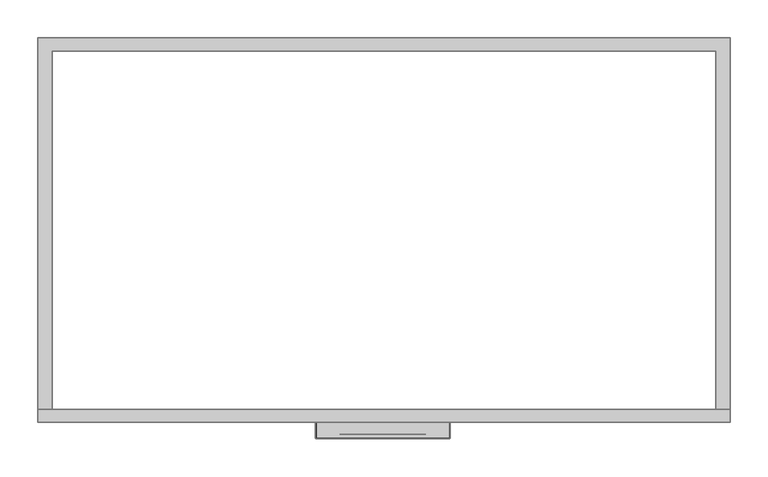
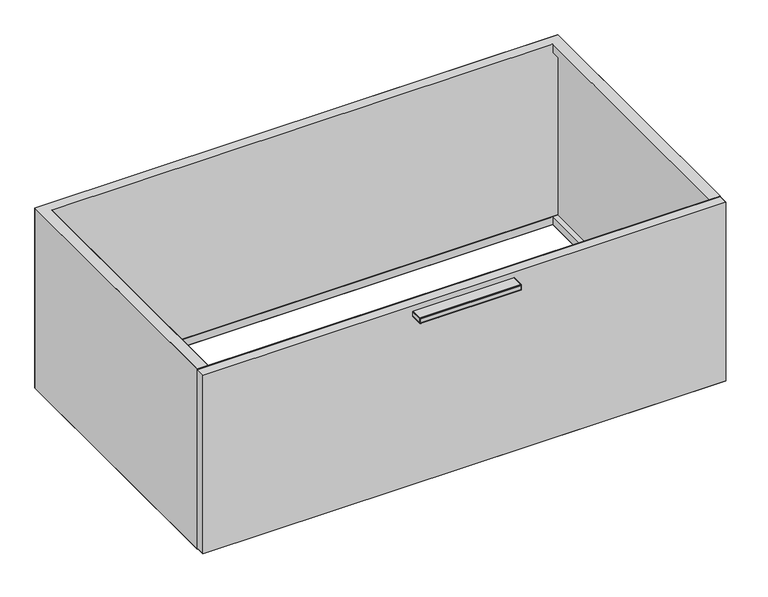
"""IFC4 building model written with IfcOpenShell, lengths in millimetres: furniture geometry."""

from ifc_helpers import new_model, si_unit, origin, place, context, project, spatial, triangles, source, transform, mapped, element, save


def furniture_d5ba1708(model_context):
    return source(origin(), model_context, "Body", "Tessellation", [
        triangles([(914.4, -507.9999879, 331.7874879), (0.0, -507.9999879, 331.7874879), (0.0, -507.9999879, 1.5875), (914.4, -507.9999879, 1.5875), (0.0, -491.3375965, 1.5875), (914.4, -491.3375965, 1.5875), (914.4, -491.3375965, 331.7874879), (0.0, -491.3375965, 331.7874879)], [[1, 2, 3], [1, 3, 4], [5, 3, 4], [5, 4, 6], [7, 1, 4], [7, 4, 6], [8, 2, 3], [8, 3, 5], [1, 2, 8], [1, 8, 7]], closed=False),
        triangles([(1.5875, -491.3375965, 331.7874879), (1.5875, -491.3375965, 1.5875), (0.0, -491.3375965, 0.0), (0.0, -491.3375965, 333.375), (912.8125242, -491.3375965, 1.5875), (914.4, -491.3375965, 0.0), (912.8125242, -491.3375965, 331.7874879), (914.4, -491.3375965, 333.375), (0.0, 0.0, 333.375), (19.05, -17.907, 333.375), (895.3455671, -17.907, 333.375), (914.4, 0.0, 333.375), (895.35, -491.3350531, 333.375), (895.35, -17.907, 319.0747828), (19.05, -17.907, 319.0747828), (895.35, -491.3350531, 319.0747828), (19.05, -491.3350531, 319.0747828), (19.0502748, -491.3350167, 333.375), (0.0, 0.0, 0.79375), (914.4, 0.0, 0.79375), (914.4, 0.0, 332.5812621), (0.0, 0.0, 332.5812621), (914.4, -491.3375965, 332.5812621), (914.4, -491.3375965, 0.79375), (0.0, -491.3375965, 332.5812621), (0.0, -491.3375965, 0.79375), (914.4, 0.0, 0.0), (895.35, -17.907, 0.0), (19.0544329, -17.907, 0.0), (0.0, 0.0, 0.0), (19.05, -491.3350531, 0.0), (19.05, -17.907, 14.3002002), (895.35, -17.907, 14.3002002), (19.05, -491.3350531, 14.3002002), (895.35, -491.3350531, 14.3002002), (895.3497093, -491.3350167, 0.0)], [[1, 2, 3], [1, 3, 4], [2, 5, 6], [2, 6, 3], [5, 7, 8], [5, 8, 6], [7, 1, 4], [7, 4, 8], [9, 10, 11], [9, 11, 12], [11, 13, 8], [11, 8, 12], [11, 14, 15], [11, 15, 10], [13, 16, 14], [13, 14, 11], [10, 15, 17], [10, 17, 18], [9, 4, 18], [9, 18, 10], [19, 20, 21], [19, 21, 22], [23, 24, 20], [23, 20, 21], [25, 26, 19], [25, 19, 22], [27, 28, 29], [27, 29, 30], [29, 31, 3], [29, 3, 30], [29, 32, 33], [29, 33, 28], [31, 34, 32], [31, 32, 29], [28, 33, 35], [28, 35, 36], [27, 6, 36], [27, 36, 28]], closed=False),
        triangles([(0.0, 0.0, 0.0), (0.0, 0.0, 0.79375), (0.0, -491.3375965, 0.79375), (0.0, -491.3375965, 0.0), (0.0, -491.3375965, 333.375), (0.0, -491.3375965, 332.5812621), (0.0, 0.0, 332.5812621), (0.0, 0.0, 333.375), (914.4, 0.0, 0.0), (914.4, 0.0, 0.79375), (914.4, -491.3375965, 0.79375), (914.4, -491.3375965, 0.0), (914.4, -491.3375965, 333.375), (914.4, -491.3375965, 332.5812621), (914.4, 0.0, 332.5812621), (914.4, 0.0, 333.375)], [[1, 2, 3], [1, 3, 4], [5, 6, 7], [5, 7, 8], [9, 10, 11], [9, 11, 12], [13, 14, 15], [13, 15, 16], [8, 7, 15], [8, 15, 16], [2, 1, 9], [2, 9, 10]], closed=False),
        triangles([(398.6925247, -524.1035834, 313.3203012), (399.3255529, -524.1035834, 315.2517966), (400.4919062, -524.1035834, 316.7134443), (400.1544268, -524.1035834, 313.3203012), (402.3202466, -524.1035834, 317.8105794), (401.811375, -524.1035834, 313.3203012), (404.228306, -524.1035834, 318.1463147), (403.7172544, -524.1035834, 313.3203012), (510.5630945, -524.1035834, 313.3203012), (510.7331059, -524.1035834, 316.7134443), (511.8994592, -524.1035834, 315.2517966), (512.5324874, -524.1035834, 313.3203012), (508.6552531, -524.1035834, 313.3203012), (508.9047655, -524.1035834, 317.8105794), (506.7746993, -524.1035834, 313.3203012), (506.9967061, -524.1035834, 318.1463147), (397.157226, -508.1016169, 312.55832), (397.157226, -529.5645873, 312.55832), (367.4745174, -529.5645873, 312.55832), (367.4745174, -508.1016169, 312.55832), (397.5833991, -524.3984056, 312.5604275), (397.5831084, -529.5645873, 312.55832), (397.157226, -523.3416023, 312.55832), (398.6924884, -524.8656009, 312.5658777), (398.691144, -529.5645873, 312.55832), (512.5324874, -524.8655645, 312.55832), (512.4999312, -529.5645873, 312.55832), (513.6415767, -524.3984056, 312.55832), (513.641504, -529.5645873, 312.55832), (514.0677498, -523.3416023, 312.55832), (514.0676771, -529.5645873, 312.55832), (543.7504947, -508.1016169, 312.55832), (543.7504947, -529.5645873, 312.55832), (514.0677498, -508.1016169, 312.55832), (366.9356695, -508.1016169, 321.8601142), (366.9356695, -508.1016169, 312.7814896), (366.7125, -508.1016169, 313.3203012), (366.7125, -508.1016169, 321.3213026), (367.4745174, -508.1016169, 322.08332), (397.1900365, -508.1016169, 322.08332), (397.6663882, -508.1016169, 312.7533663), (397.8253175, -508.1016169, 322.08332), (397.9148469, -508.1016169, 313.2386564), (398.4184862, -508.1016169, 322.08332), (398.6047757, -508.1016169, 315.5076313), (399.9054594, -508.1016169, 322.08332), (399.9855417, -508.1016169, 317.28285), (402.0890471, -508.1016169, 322.08332), (402.0532207, -508.1016169, 318.5241623), (404.2333929, -508.1016169, 322.08332), (404.228306, -508.1016169, 318.9082958), (543.7504947, -508.1016169, 322.08332), (514.0349756, -508.1016169, 322.08332), (544.2893063, -508.1016169, 321.8601142), (544.2893063, -508.1016169, 312.7814896), (544.5125121, -508.1016169, 321.3213026), (544.5125121, -508.1016169, 313.3203012), (513.5586239, -508.1016169, 312.7533663), (513.3101652, -508.1016169, 313.2386564), (513.3996583, -508.1016169, 322.08332), (512.6202001, -508.1016169, 315.5076313), (512.8065259, -508.1016169, 322.08332), (511.2394704, -508.1016169, 317.28285), (511.3195164, -508.1016169, 322.08332), (509.171755, -508.1016169, 318.5241623), (509.1359651, -508.1016169, 322.08332), (506.9967061, -508.1016169, 318.9082958), (506.9356997, -508.1016169, 322.08332), (367.1197062, -529.9311347, 312.7814896), (366.9639381, -530.0909723, 313.3203012), (366.7125, -529.5645873, 313.3203012), (366.9356695, -529.5645873, 312.7814896), (367.4745174, -530.1033989, 312.7814896), (367.4745174, -530.3266047, 313.3203012), (367.091583, -529.9437066, 321.8601142), (366.9356695, -530.1033989, 321.3213026), (367.4745174, -530.3266047, 321.3213026), (367.4745174, -530.1033989, 321.8601142), (366.9356695, -529.5645873, 321.8601142), (366.7125, -529.5645873, 321.3213026), (367.4745174, -529.5645873, 322.08332), (544.1316851, -529.9454144, 321.8601142), (544.2893063, -530.1033989, 321.3213026), (544.5125121, -529.5645873, 321.3213026), (544.2893063, -529.5645873, 321.8601142), (543.7504947, -530.1033989, 321.8601142), (543.7504947, -530.3266047, 321.3213026), (543.7504947, -529.5645873, 322.08332), (544.1315397, -530.1033989, 312.9393288), (544.2893426, -529.5645873, 312.7815259), (544.5125121, -529.5645873, 313.3203012), (544.2893063, -530.1033989, 313.3203012), (543.7504947, -530.1033989, 312.7814896), (543.7504947, -530.3266047, 313.3203012), (398.691362, -524.3267893, 312.7890836), (512.5324874, -524.3267893, 312.7814896), (397.6663882, -523.3416023, 312.7533663), (397.9505279, -523.9959955, 312.7330187), (397.9148469, -523.3416023, 313.2386564), (398.1459738, -523.8846288, 313.259113), (513.2736122, -523.9959955, 312.7290945), (513.5586239, -523.3416023, 312.7533663), (513.0790383, -523.8846288, 313.259113), (513.3101289, -523.3416023, 313.2386564), (404.228306, -523.8804139, 318.6851263), (506.9967061, -523.8804139, 318.6851263), (404.228306, -523.3416023, 318.9082958), (506.9967061, -523.3416023, 318.9082958), (509.1510804, -523.3416023, 318.5316836), (509.0789191, -523.8804139, 318.3204683), (511.091151, -523.8804139, 317.1160724), (511.2394704, -523.3416023, 317.28285), (512.4018994, -523.8804139, 315.4464068), (512.6099899, -523.3416023, 315.5270342), (399.9855417, -523.3416023, 317.28285), (400.1338248, -523.8804139, 317.1160724), (402.146093, -523.8804139, 318.3204683), (402.0739317, -523.3416023, 318.5316836), (398.8231127, -523.8804139, 315.4464068), (398.6149858, -523.3416023, 315.5270342)], [[1, 2, 3], [1, 3, 4], [4, 3, 5], [4, 5, 6], [6, 5, 7], [6, 7, 8], [9, 10, 11], [9, 11, 12], [13, 14, 10], [13, 10, 9], [15, 16, 14], [15, 14, 13], [8, 7, 16], [8, 16, 15], [17, 18, 19], [17, 19, 20], [21, 22, 18], [21, 18, 23], [24, 25, 22], [24, 22, 21], [26, 27, 25], [26, 25, 24], [28, 29, 26], [29, 27, 26], [30, 31, 28], [31, 29, 28], [32, 33, 31], [32, 31, 34], [35, 36, 37], [35, 37, 38], [39, 20, 36], [39, 36, 35], [40, 17, 20], [40, 20, 39], [41, 17, 40], [42, 43, 40], [43, 41, 40], [44, 45, 42], [45, 43, 42], [46, 47, 44], [47, 45, 44], [48, 49, 47], [48, 47, 46], [50, 51, 49], [50, 49, 48], [52, 32, 34], [52, 34, 53], [54, 55, 32], [54, 32, 52], [56, 57, 54], [57, 55, 54], [53, 34, 58], [53, 58, 59], [53, 59, 60], [60, 59, 61], [60, 61, 62], [62, 61, 63], [62, 63, 64], [64, 63, 65], [64, 65, 66], [66, 65, 67], [66, 67, 68], [68, 67, 51], [68, 51, 50], [69, 70, 71], [69, 71, 72], [73, 74, 70], [73, 70, 69], [19, 69, 72], [19, 73, 69], [75, 76, 77], [75, 77, 78], [79, 80, 76], [79, 76, 75], [81, 75, 78], [81, 79, 75], [82, 83, 84], [82, 84, 85], [86, 87, 83], [86, 83, 82], [88, 82, 85], [88, 86, 82], [89, 90, 91], [89, 91, 92], [93, 33, 90], [93, 90, 89], [94, 89, 92], [94, 93, 89], [83, 92, 91], [83, 91, 84], [87, 94, 92], [87, 92, 83], [35, 38, 79], [38, 80, 79], [39, 35, 81], [35, 79, 81], [86, 88, 81], [86, 81, 78], [87, 86, 78], [87, 78, 77], [54, 52, 85], [52, 88, 85], [56, 54, 85], [56, 85, 84], [55, 57, 91], [55, 91, 90], [32, 55, 90], [32, 90, 33], [57, 56, 84], [57, 84, 91], [93, 94, 74], [93, 74, 73], [33, 93, 73], [33, 73, 19], [72, 71, 37], [72, 37, 36], [19, 72, 36], [19, 36, 20], [70, 76, 80], [70, 80, 71], [74, 77, 76], [74, 76, 70], [95, 1, 12], [95, 12, 96], [24, 95, 26], [95, 96, 26], [23, 97, 98], [23, 98, 21], [21, 98, 95], [21, 95, 24], [97, 99, 100], [97, 100, 98], [98, 100, 1], [98, 1, 95], [28, 101, 102], [28, 102, 30], [26, 96, 101], [26, 101, 28], [101, 103, 104], [101, 104, 102], [96, 12, 103], [96, 103, 101], [7, 105, 106], [7, 106, 16], [105, 107, 106], [107, 108, 106], [109, 110, 111], [109, 111, 112], [108, 106, 110], [108, 110, 109], [106, 16, 14], [106, 14, 110], [110, 14, 10], [110, 10, 111], [111, 10, 11], [111, 11, 113], [112, 111, 113], [112, 113, 114], [113, 11, 12], [113, 12, 103], [114, 113, 103], [114, 103, 104], [115, 116, 117], [115, 117, 118], [118, 117, 105], [118, 105, 107], [117, 5, 7], [117, 7, 105], [116, 3, 5], [116, 5, 117], [119, 2, 3], [119, 3, 116], [120, 119, 116], [120, 116, 115], [100, 1, 2], [100, 2, 119], [99, 100, 119], [99, 119, 120], [23, 17, 41], [23, 41, 97], [97, 41, 43], [97, 43, 99], [99, 43, 45], [99, 45, 120], [120, 45, 47], [120, 47, 115], [115, 47, 49], [115, 49, 118], [118, 49, 51], [118, 51, 107], [102, 58, 34], [102, 34, 30], [104, 59, 58], [104, 58, 102], [114, 61, 59], [114, 59, 104], [112, 63, 61], [112, 61, 114], [109, 65, 63], [109, 63, 112], [108, 67, 65], [108, 65, 109], [107, 51, 108], [51, 67, 108], [39, 81, 88], [39, 88, 52], [77, 74, 87], [74, 94, 87], [38, 37, 80], [37, 71, 80]], closed=False),
    ])


if __name__ == "__main__":
    model = new_model("IFC4")
    model_context = context("Model", 3, world=origin())
    ifc_project = project(units=[si_unit("LENGTHUNIT", "METRE", prefix="MILLI")], contexts=[model_context])
    site = spatial("IfcSite", under=ifc_project)
    building = spatial("IfcBuilding", under=site)
    placement = place(None, origin())
    furniture_shape = furniture_d5ba1708(model_context)
    element("IfcFurniture", 1, at=placement, inside=building, context=model_context, shape_type="MappedRepresentation", body=[
        mapped(furniture_shape, transform((0.0, 0.0, 0.0), x_axis=(1.0, 0.0, 0.0), y_axis=(0.0, 1.0, 0.0), z_axis=(0.0, 0.0, 1.0))),
    ])
    save(model, "model.ifc")
